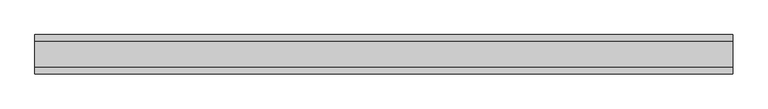
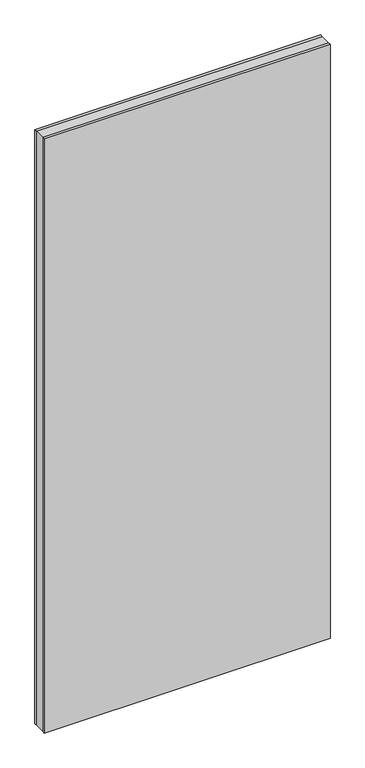
"""IFC4 building model written with IfcOpenShell, lengths in millimetres: plate geometry."""

from ifc_helpers import new_model, si_unit, origin, origin_with_axes, place, context, project, spatial, polyline, outline, extrude, source, transform, mapped, element, save


def plate_ccd2657e(model_context):
    return source(origin(), model_context, "Body", "SweptSolid", [
        extrude(outline(polyline([(663.0416668, 24.2), (663.0416668, -24.2), (-663.0416668, -24.2), (-663.0416668, 24.2), (663.0416668, 24.2)])), origin_with_axes(), (0.0, 0.0, 1.0), 2915.0),
        extrude(outline(polyline([(663.0416668, 37.2), (663.0416668, 24.2), (-663.0416668, 24.2), (-663.0416668, 37.2), (663.0416668, 37.2)])), origin_with_axes(), (0.0, 0.0, 1.0), 2915.0),
        extrude(outline(polyline([(-663.0416668, -37.2), (-663.0416668, -24.2), (663.0416668, -24.2), (663.0416668, -37.2), (-663.0416668, -37.2)])), origin_with_axes(), (0.0, 0.0, 1.0), 2915.0),
    ])


if __name__ == "__main__":
    model = new_model("IFC4")
    model_context = context("Model", 3, world=origin())
    ifc_project = project(units=[si_unit("LENGTHUNIT", "METRE", prefix="MILLI")], contexts=[model_context])
    site = spatial("IfcSite", under=ifc_project)
    building = spatial("IfcBuilding", under=site)
    placement = place(None, origin())
    plate_shape = plate_ccd2657e(model_context)
    element("IfcPlate", 1, at=placement, inside=building, context=model_context, shape_type="MappedRepresentation", body=[
        mapped(plate_shape, transform((0.0, 0.0, 0.0), x_axis=(1.0, 0.0, 0.0), y_axis=(0.0, 1.0, 0.0), z_axis=(0.0, 0.0, 1.0))),
    ])
    save(model, "model.ifc")
